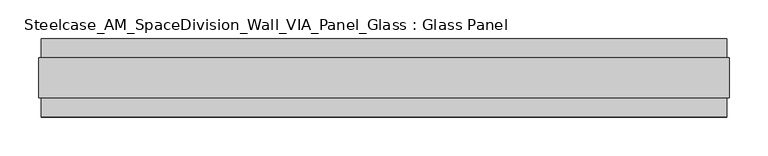
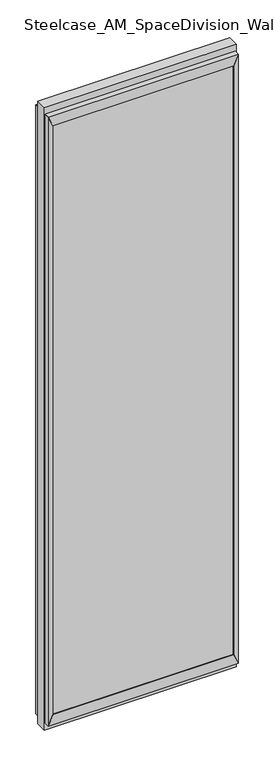
"""IFC4 building model written with IfcOpenShell, lengths in millimetres: plate geometry, Steelcase_AM_SpaceDivision_Wall_VIA_Panel_Glass : Glass Panel."""

import ifcopenshell
import ifcopenshell.guid

model = None  # the IFC model being written
_history = None  # IfcOwnerHistory: only IFC2X3 demands one
_inside = {}  # id of a spatial element -> (the spatial element, [elements in it])
_under = {}  # id of a project, library or spatial element -> (it, [spatial elements below it])
_declared = {}  # id of a project -> (the project, [libraries it declares])
_typed = {}  # id of a type object -> (the type object, [elements of that type])
_made_of = {}  # id of a material, layer set ... -> (it, [elements and type objects made of it])


def new_model(schema):
    """Start an empty IFC model of exactly this schema.

    Asked for "IFC4X3", IfcOpenShell would pick the latest addendum, in which some entities
    have other attributes; the version numbers below select the first issue.
    IFC2X3 requires an IfcOwnerHistory on every rooted entity: one is made here for all.
    """
    global model, _history
    if schema == "IFC4X3":
        model = ifcopenshell.file(schema_version=(4, 3, 0, 0))
    else:
        model = ifcopenshell.file(schema=schema)
    _inside.clear()
    _under.clear()
    _declared.clear()
    _typed.clear()
    _made_of.clear()
    _history = None
    if model.schema == "IFC2X3":
        org = make("IfcOrganization", Name="unknown")
        user = make(
            "IfcPersonAndOrganization",
            ThePerson=make("IfcPerson", FamilyName="unknown"),
            TheOrganization=org,
        )
        app = make(
            "IfcApplication",
            ApplicationDeveloper=org,
            Version="unknown",
            ApplicationFullName="unknown",
            ApplicationIdentifier="unknown",
        )
        _history = make(
            "IfcOwnerHistory",
            OwningUser=user,
            OwningApplication=app,
            ChangeAction="ADDED",
            CreationDate=0,
        )
    return model


def make(cls, **values):
    """One entity of the class cls with the attributes given. An attribute that is None is left unset."""
    return model.create_entity(
        cls, **{name: value for name, value in values.items() if value is not None}
    )


def rooted(cls, **values):
    """An entity with a GlobalId (a new one), such as an element, a storey or a relation."""
    return make(cls, GlobalId=ifcopenshell.guid.new(), OwnerHistory=_history, **values)


def si_unit(unit_type, name, prefix=None):
    """IfcSIUnit, for example si_unit("LENGTHUNIT", "METRE", prefix="MILLI")."""
    return make("IfcSIUnit", UnitType=unit_type, Prefix=prefix, Name=name)


def assignment(units):
    """IfcUnitAssignment: the units of a project."""
    return None if units is None else make("IfcUnitAssignment", Units=units)


def point(xyz):
    """IfcCartesianPoint."""
    return None if xyz is None else make("IfcCartesianPoint", Coordinates=xyz)


def direction(xyz):
    """IfcDirection."""
    return None if xyz is None else make("IfcDirection", DirectionRatios=xyz)


def frame(location, z_axis=None, x_axis=None):
    """IfcAxis2Placement3D, a coordinate frame: its origin and axes. An axis left out is left unset."""
    return make(
        "IfcAxis2Placement3D",
        Location=point(location),
        Axis=direction(z_axis),
        RefDirection=direction(x_axis),
    )


def origin():
    """The frame at (0, 0, 0) with its axes left unset."""
    return frame((0.0, 0.0, 0.0))


def place(relative_to, where):
    """IfcLocalPlacement: puts the frame where relative to a parent placement (None: the world)."""
    return make(
        "IfcLocalPlacement", PlacementRelTo=relative_to, RelativePlacement=where
    )


def context(
    kind, dimensions, precision=None, world=None, true_north=None, identifier=None
):
    """IfcGeometricRepresentationContext, for example the 3D "Model" context."""
    return make(
        "IfcGeometricRepresentationContext",
        ContextIdentifier=identifier,
        ContextType=kind,
        CoordinateSpaceDimension=dimensions,
        Precision=precision,
        WorldCoordinateSystem=world,
        TrueNorth=true_north,
    )


def project(units=None, contexts=None):
    """IfcProject with its units and contexts."""
    return rooted(
        "IfcProject",
        Name="project",
        RepresentationContexts=contexts,
        UnitsInContext=assignment(units),
    )


def spatial(cls, under=None, at=None, **own):
    """A site, building, storey or space (cls), placed at a placement, below another one or the project."""
    s = rooted(cls, ObjectPlacement=at, **own)
    if under is not None:
        _under.setdefault(under.id(), (under, []))[1].append(s)
    return s


def polyline(points):
    """IfcPolyline through the points."""
    return make("IfcPolyline", Points=[point(p) for p in points])


def outline(outer, holes=None, kind="AREA"):
    """IfcArbitraryClosedProfileDef: a profile drawn as a closed curve; with holes, ...WithVoids."""
    if holes is None:
        return make("IfcArbitraryClosedProfileDef", ProfileType=kind, OuterCurve=outer)
    return make(
        "IfcArbitraryProfileDefWithVoids",
        ProfileType=kind,
        OuterCurve=outer,
        InnerCurves=holes,
    )


def extrude(swept, where, along, depth):
    """IfcExtrudedAreaSolid: the profile swept, set in the frame where, extruded along a direction by depth."""
    return make(
        "IfcExtrudedAreaSolid",
        SweptArea=swept,
        Position=where,
        ExtrudedDirection=direction(along),
        Depth=depth,
    )


def shape(context_of_items, identifier, shape_type, items):
    """IfcShapeRepresentation: the items that make up one representation, for example the "Body"."""
    return make(
        "IfcShapeRepresentation",
        ContextOfItems=context_of_items,
        RepresentationIdentifier=identifier,
        RepresentationType=shape_type,
        Items=items,
    )


def source(mapping_origin, context_of_items, identifier, shape_type, items):
    """IfcRepresentationMap: a shape defined once, which mapped items show again and again."""
    return make(
        "IfcRepresentationMap",
        MappingOrigin=mapping_origin,
        MappedRepresentation=shape(context_of_items, identifier, shape_type, items),
    )


def transform(
    local_origin,
    x_axis=None,
    y_axis=None,
    z_axis=None,
    scale=None,
    scale2=None,
    scale3=None,
    uniform=True,
):
    """IfcCartesianTransformationOperator3D, or its non-uniform kind. x_axis, y_axis, z_axis: its Axis1, 2, 3."""
    if uniform:
        return make(
            "IfcCartesianTransformationOperator3D",
            Axis1=direction(x_axis),
            Axis2=direction(y_axis),
            LocalOrigin=point(local_origin),
            Scale=scale,
            Axis3=direction(z_axis),
        )
    return make(
        "IfcCartesianTransformationOperator3DnonUniform",
        Axis1=direction(x_axis),
        Axis2=direction(y_axis),
        LocalOrigin=point(local_origin),
        Scale=scale,
        Axis3=direction(z_axis),
        Scale2=scale2,
        Scale3=scale3,
    )


def mapped(mapping_source, mapping_target):
    """IfcMappedItem: shows the shape of a source again, moved by a transform."""
    return make(
        "IfcMappedItem", MappingSource=mapping_source, MappingTarget=mapping_target
    )


def made_of(thing, what):
    """Note that an element or type object is made of a material, layer set ...; save() writes the relation."""
    if what is not None:
        _made_of.setdefault(what.id(), (what, []))[1].append(thing)
    return thing


def element(
    cls,
    number,
    at=None,
    inside=None,
    cuts=None,
    type_object=None,
    material=None,
    context=None,
    identifier="Body",
    shape_type=None,
    held_by="IfcProductDefinitionShape",
    body=None,
    shapes=None,
    **own,
):
    """One element of the class cls, such as IfcWall. Its Tag is "e" and its number.

    at: its placement. inside: the storey or other place that contains it. cuts: it is an
    opening in that element (IfcRelVoidsElement). A single representation is given by context,
    identifier, shape_type and body (its items); several are given by shapes. held_by: the class
    of the entity that holds the representations. save() writes the other relations.
    """
    e = rooted(cls, Tag="e%d" % number, ObjectPlacement=at, **own)
    if body is not None:
        shapes = [shape(context, identifier, shape_type, body)]
    if shapes is not None:
        e.Representation = make(held_by, Representations=shapes)
    if inside is not None:
        _inside.setdefault(inside.id(), (inside, []))[1].append(e)
    if cuts is not None:
        rooted(
            "IfcRelVoidsElement", RelatingBuildingElement=cuts, RelatedOpeningElement=e
        )
    if type_object is not None:
        _typed.setdefault(type_object.id(), (type_object, []))[1].append(e)
    return made_of(e, material)


def aggregate(whole, parts):
    """IfcRelAggregates: a whole, such as a stair, and the parts it consists of."""
    return rooted("IfcRelAggregates", RelatingObject=whole, RelatedObjects=parts)


def save(model, path):
    """Write the relations noted so far, then the file.

    IfcRelAggregates (storeys below a building ...), IfcRelContainedInSpatialStructure (elements
    in a storey), IfcRelDefinesByType, IfcRelAssociatesMaterial and IfcRelDeclares: one each for
    every whole, place, type object, material and project.
    """
    for whole, parts in _under.values():
        aggregate(whole, parts)
    for where, things in _inside.values():
        rooted(
            "IfcRelContainedInSpatialStructure",
            RelatedElements=things,
            RelatingStructure=where,
        )
    for kind, things in _typed.values():
        rooted("IfcRelDefinesByType", RelatedObjects=things, RelatingType=kind)
    for what, things in _made_of.values():
        rooted("IfcRelAssociatesMaterial", RelatedObjects=things, RelatingMaterial=what)
    for by, libraries in _declared.values():
        rooted("IfcRelDeclares", RelatingContext=by, RelatedDefinitions=libraries)
    model.write(path)


def steelcase_am_spacedivision_wall_via_panel_glass_glass_panel_bd00c7d7(model_context):
    return source(origin(), model_context, "Body", "SweptSolid", [
        extrude(outline(polyline([(418.9482716, -45.1096), (-418.9482716, -45.1096), (-418.9482716, -33.6796), (418.9482716, -33.6796), (418.9482716, -45.1096)])), frame((0.0, 0.0, 81.0006), z_axis=(0.0, 0.0, 1.0), x_axis=(1.0, 0.0, 0.0)), (0.0, 0.0, 1.0), 2885.9988),
        extrude(outline(polyline([(418.9482716, 33.9098), (-418.9482716, 33.9098), (-418.9482716, 45.3398), (418.9482716, 45.3398), (418.9482716, 33.9098)])), frame((0.0, 0.0, 81.0006), z_axis=(0.0, 0.0, 1.0), x_axis=(1.0, 0.0, 0.0)), (0.0, 0.0, 1.0), 2885.9988),
        extrude(outline(polyline([(81.0006, 418.9482716), (81.0006, -418.9482716), (32.004, -440.9446716), (32.004, 440.9446716), (81.0006, 418.9482716)])), frame((0.0, -49.9229, 0.0), z_axis=(0.0, 1.0, 0.0), x_axis=(0.0, 0.0, 1.0)), (0.0, 0.0, 1.0), 100.076),
        extrude(outline(polyline([(2966.9994, 418.9482716), (3015.996, 440.9446716), (3015.996, -440.9446716), (2966.9994, -418.9482716), (2966.9994, 418.9482716)])), frame((0.0, -49.9229, 0.0), z_axis=(0.0, 1.0, 0.0), x_axis=(0.0, 0.0, 1.0)), (0.0, 0.0, 1.0), 100.076),
        extrude(outline(polyline([(81.0006, 418.9482716), (32.004, 440.9446716), (3015.996, 440.9446716), (2966.9994, 418.9482716), (81.0006, 418.9482716)])), frame((0.0, -49.9229, 0.0), z_axis=(0.0, 1.0, 0.0), x_axis=(0.0, 0.0, 1.0)), (0.0, 0.0, 1.0), 100.076),
        extrude(outline(polyline([(81.0006, -418.9482716), (2966.9994, -418.9482716), (3015.996, -440.9446716), (32.004, -440.9446716), (81.0006, -418.9482716)])), frame((0.0, -49.9229, 0.0), z_axis=(0.0, 1.0, 0.0), x_axis=(0.0, 0.0, 1.0)), (0.0, 0.0, 1.0), 100.076),
        extrude(outline(polyline([(0.0, -443.9418716), (0.0, 443.9418716), (3048.0, 443.9418716), (3048.0, -443.9418716), (0.0, -443.9418716)]), holes=[polyline([(32.004, 440.9446716), (32.004, -440.9446716), (3015.996, -440.9446716), (3015.996, 440.9446716), (32.004, 440.9446716)])]), frame((0.0, -25.8818, 0.0), z_axis=(0.0, 1.0, 0.0), x_axis=(0.0, 0.0, 1.0)), (0.0, 0.0, 1.0), 51.9938),
    ])


if __name__ == "__main__":
    model = new_model("IFC4")
    model_context = context("Model", 3, world=origin())
    ifc_project = project(units=[si_unit("LENGTHUNIT", "METRE", prefix="MILLI")], contexts=[model_context])
    site = spatial("IfcSite", under=ifc_project)
    building = spatial("IfcBuilding", under=site)
    placement = place(None, origin())
    steelcase_am_spacedivision_wall_via_panel_glass_glass_panel_shape = steelcase_am_spacedivision_wall_via_panel_glass_glass_panel_bd00c7d7(model_context)
    element("IfcPlate", 1, ObjectType="Steelcase_AM_SpaceDivision_Wall_VIA_Panel_Glass : Glass Panel", at=placement, inside=building, context=model_context, shape_type="MappedRepresentation", body=[
        mapped(steelcase_am_spacedivision_wall_via_panel_glass_glass_panel_shape, transform((0.0, 0.0, 0.0), x_axis=(1.0, 0.0, 0.0), y_axis=(0.0, 1.0, 0.0), z_axis=(0.0, 0.0, 1.0))),
    ])
    save(model, "model.ifc")
